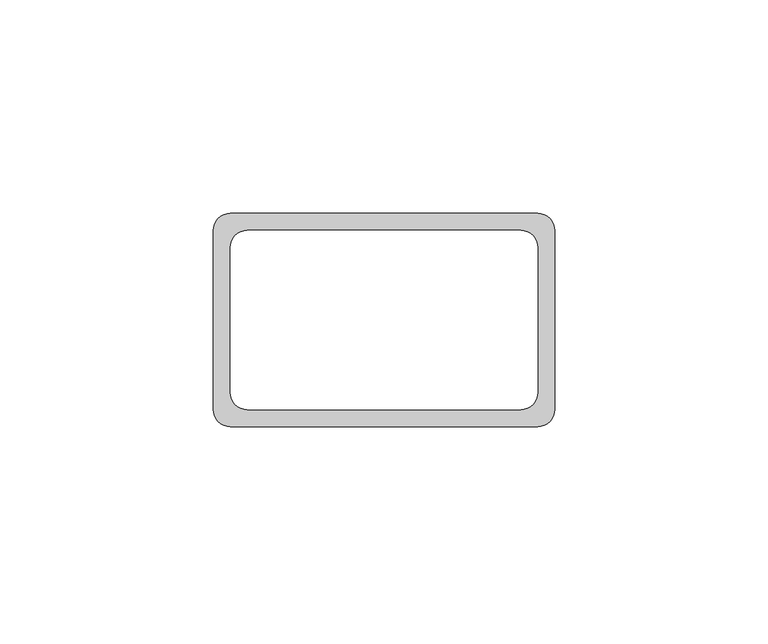
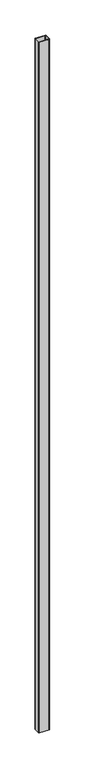
"""IFC4 building model written with IfcOpenShell, lengths in millimetres: column geometry."""

from ifc_helpers import new_model, si_unit, point, frame_2d, origin, origin_with_axes, place, context, project, spatial, polyline, circle_curve, trimmed, segment, composite_curve, outline, extrude, source, transform, mapped, element, save


def column_ec1fa40e(model_context):
    return source(origin(), model_context, "Body", "SweptSolid", [
        extrude(outline(composite_curve([segment(trimmed(circle_curve(frame_2d((-36.0, 21.0)), 4.0), [point((-40.0, 21.0))], [point((-36.0, 25.0))], False, "CARTESIAN"), True, "CONTINUOUS"), segment(polyline([(-36.0, 25.0), (36.0, 25.0)]), True, "CONTINUOUS"), segment(trimmed(circle_curve(frame_2d((36.0, 21.0)), 4.0), [point((36.0, 25.0))], [point((40.0, 21.0))], False, "CARTESIAN"), True, "CONTINUOUS"), segment(polyline([(40.0, 21.0), (40.0, -21.0)]), True, "CONTINUOUS"), segment(trimmed(circle_curve(frame_2d((36.0, -21.0)), 4.0), [point((40.0, -21.0))], [point((36.0, -25.0))], False, "CARTESIAN"), True, "CONTINUOUS"), segment(polyline([(36.0, -25.0), (-36.0, -25.0)]), True, "CONTINUOUS"), segment(trimmed(circle_curve(frame_2d((-36.0, -21.0)), 4.0), [point((-36.0, -25.0))], [point((-40.0, -21.0))], False, "CARTESIAN"), True, "CONTINUOUS"), segment(polyline([(-40.0, -21.0), (-40.0, 21.0)]), True, "CONTINUOUS")], self_intersect=False), holes=[composite_curve([segment(polyline([(-36.0, 17.0), (-36.0, -17.0)]), True, "CONTINUOUS"), segment(trimmed(circle_curve(frame_2d((-32.0, -17.0)), 4.0), [point((-36.0, -17.0))], [point((-32.0, -21.0))], True, "CARTESIAN"), True, "CONTINUOUS"), segment(polyline([(-32.0, -21.0), (32.0, -21.0)]), True, "CONTINUOUS"), segment(trimmed(circle_curve(frame_2d((32.0, -17.0)), 4.0), [point((32.0, -21.0))], [point((36.0, -17.0))], True, "CARTESIAN"), True, "CONTINUOUS"), segment(polyline([(36.0, -17.0), (36.0, 17.0)]), True, "CONTINUOUS"), segment(trimmed(circle_curve(frame_2d((32.0, 17.0)), 4.0), [point((36.0, 17.0))], [point((32.0, 21.0))], True, "CARTESIAN"), True, "CONTINUOUS"), segment(polyline([(32.0, 21.0), (-32.0, 21.0)]), True, "CONTINUOUS"), segment(trimmed(circle_curve(frame_2d((-32.0, 17.0)), 4.0), [point((-32.0, 21.0))], [point((-36.0, 17.0))], True, "CARTESIAN"), True, "CONTINUOUS")], self_intersect=False)]), origin_with_axes(), (0.0, 0.0, 1.0), 5200.0),
    ])


if __name__ == "__main__":
    model = new_model("IFC4")
    model_context = context("Model", 3, world=origin())
    ifc_project = project(units=[si_unit("LENGTHUNIT", "METRE", prefix="MILLI")], contexts=[model_context])
    site = spatial("IfcSite", under=ifc_project)
    building = spatial("IfcBuilding", under=site)
    placement = place(None, origin())
    column_shape = column_ec1fa40e(model_context)
    element("IfcColumn", 1, at=placement, inside=building, context=model_context, shape_type="MappedRepresentation", body=[
        mapped(column_shape, transform((0.0, 0.0, 0.0), x_axis=(1.0, 0.0, 0.0), y_axis=(0.0, 1.0, 0.0), z_axis=(0.0, 0.0, 1.0))),
    ])
    save(model, "model.ifc")
